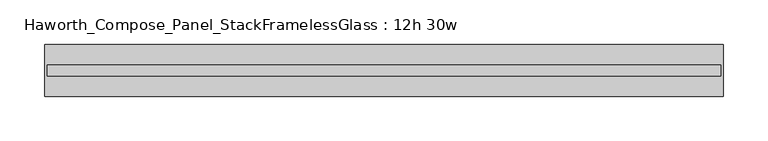
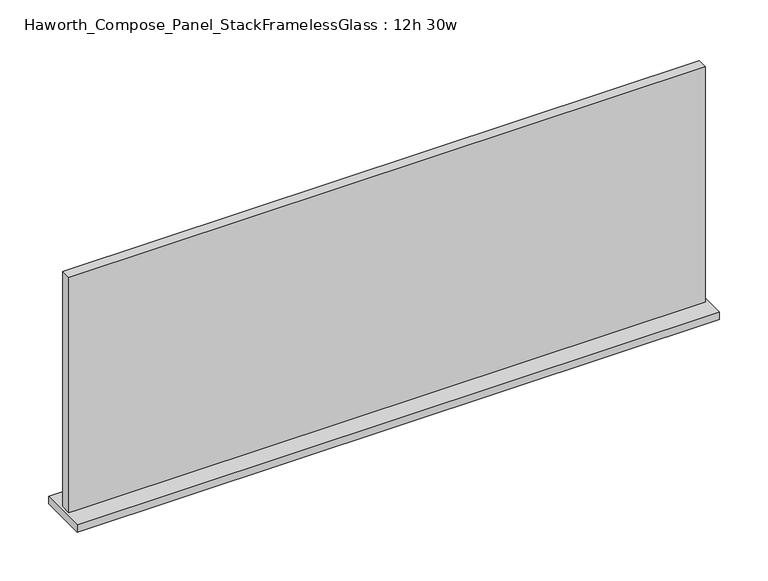
"""IFC4 building model written with IfcOpenShell, lengths in millimetres: furniture geometry, Haworth_Compose_Panel_StackFramelessGlass : 12h 30w."""

from ifc_helpers import new_model, si_unit, frame, origin, place, context, project, spatial, polyline, outline, extrude, source, transform, mapped, element, save


def haworth_compose_panel_stackframelessglass_12h_30w_65bc2364(model_context):
    return source(origin(), model_context, "Body", "SweptSolid", [
        extrude(outline(polyline([(380.2652902, -27.3093594), (-375.3847098, -27.3093594), (-375.3847098, -14.6093594), (380.2652902, -14.6093594), (380.2652902, -27.3093594)])), frame((0.0, 0.0, 1279.525), z_axis=(0.0, 0.0, 1.0), x_axis=(1.0, 0.0, 0.0)), (0.0, 0.0, 1.0), 295.275),
        extrude(outline(polyline([(-378.5597098, -50.3281094), (-378.5597098, 8.4093906), (383.4402902, 8.4093906), (383.4402902, -50.3281094), (-378.5597098, -50.3281094)])), frame((0.0, 0.0, 1270.0), z_axis=(0.0, 0.0, 1.0), x_axis=(1.0, 0.0, 0.0)), (0.0, 0.0, 1.0), 9.525),
    ])


if __name__ == "__main__":
    model = new_model("IFC4")
    model_context = context("Model", 3, world=origin())
    ifc_project = project(units=[si_unit("LENGTHUNIT", "METRE", prefix="MILLI")], contexts=[model_context])
    site = spatial("IfcSite", under=ifc_project)
    building = spatial("IfcBuilding", under=site)
    placement = place(None, origin())
    haworth_compose_panel_stackframelessglass_12h_30w_shape = haworth_compose_panel_stackframelessglass_12h_30w_65bc2364(model_context)
    element("IfcFurniture", 1, ObjectType="Haworth_Compose_Panel_StackFramelessGlass : 12h 30w", at=placement, inside=building, context=model_context, shape_type="MappedRepresentation", body=[
        mapped(haworth_compose_panel_stackframelessglass_12h_30w_shape, transform((0.0, 0.0, 0.0), x_axis=(1.0, 0.0, 0.0), y_axis=(0.0, 1.0, 0.0), z_axis=(0.0, 0.0, 1.0))),
    ])
    save(model, "model.ifc")
